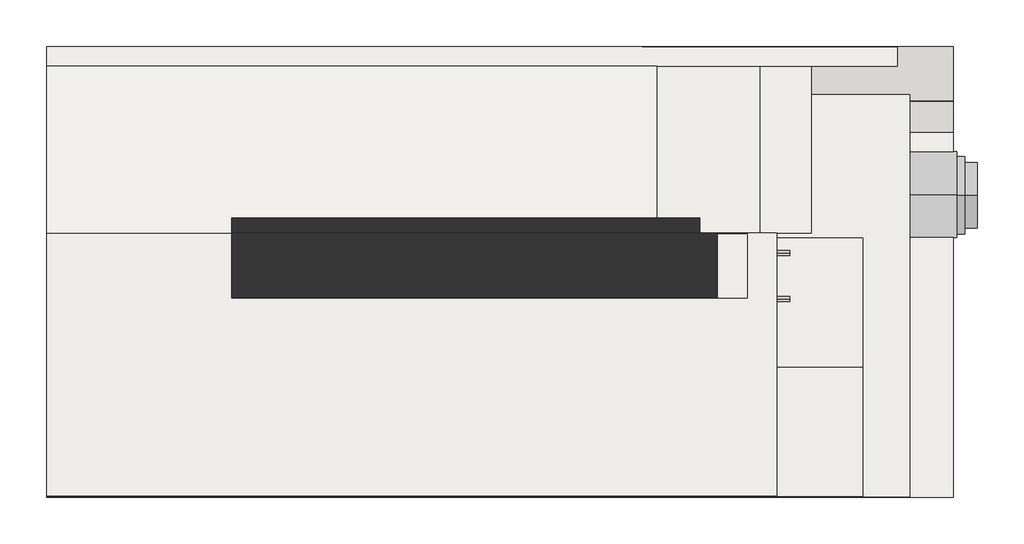
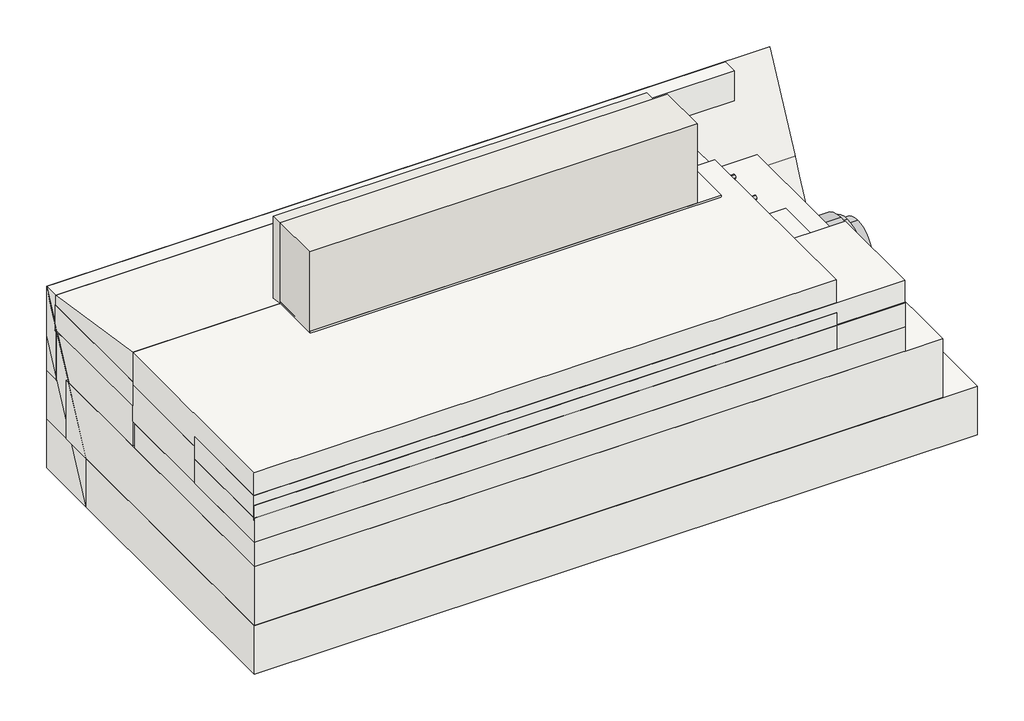
# One storey: 15 slabs, 3 duct segments, 2 cable carrier segments, 2 walls, 1 covering.
"""IFC4 building model written with IfcOpenShell, lengths in millimetres."""

from ifc_helpers import new_model, si_unit, point, frame, frame_2d, origin, origin_with_axes, place, context, project, spatial, polyline, circle_curve, trimmed, segment, composite_curve, outline, extrude, element, save
from ifc_brep_helpers import plane_surface, spline_surface, advanced_brep

model = new_model("IFC4")

# Units and contexts
model_context = context("Model", 3, world=origin())
ifc_project = project(units=[si_unit("LENGTHUNIT", "METRE", prefix="MILLI")], contexts=[model_context])

# Site, building, storey
site = spatial("IfcSite", under=ifc_project)
building = spatial("IfcBuilding", under=site)
storey = spatial("IfcBuildingStorey", under=building, Elevation=0.0)

# Cable carrier segments
placement = place(None, origin())
element("IfcCableCarrierSegment", 1, at=placement, inside=storey, context=model_context, shape_type="SweptSolid", body=[
    extrude(outline(composite_curve([segment(trimmed(circle_curve(frame_2d((-18637.7435401, 871.2288643)), 11.71), [point((-18626.0335401, 871.2288643))], [point((-18637.7435401, 859.5188643))], False, "CARTESIAN"), True, "CONTINUOUS"), segment(trimmed(circle_curve(frame_2d((-18637.7435401, 871.2288643)), 11.71), [point((-18637.7435401, 859.5188643))], [point((-18649.4535401, 871.2288643))], False, "CARTESIAN"), True, "CONTINUOUS"), segment(trimmed(circle_curve(frame_2d((-18637.7435401, 871.2288643)), 11.71), [point((-18649.4535401, 871.2288643))], [point((-18637.7435401, 882.9388643))], False, "CARTESIAN"), True, "CONTINUOUS"), segment(trimmed(circle_curve(frame_2d((-18637.7435401, 871.2288643)), 11.71), [point((-18637.7435401, 882.9388643))], [point((-18626.0335401, 871.2288643))], False, "CARTESIAN"), True, "CONTINUOUS")], self_intersect=False)), frame((-19193.1632659, 0.0, 0.0), z_axis=(1.0, 0.0, 0.0), x_axis=(0.0, 1.0, 0.0)), (0.0, 0.0, 1.0), 980.0),
])
element("IfcCableCarrierSegment", 2, at=placement, inside=storey, context=model_context, shape_type="SweptSolid", body=[
    extrude(outline(composite_curve([segment(trimmed(circle_curve(frame_2d((-18424.9871372, 871.2288643)), 11.71), [point((-18413.2771372, 871.2288643))], [point((-18424.9871372, 859.5188643))], False, "CARTESIAN"), True, "CONTINUOUS"), segment(trimmed(circle_curve(frame_2d((-18424.9871372, 871.2288643)), 11.71), [point((-18424.9871372, 859.5188643))], [point((-18436.6971372, 871.2288643))], False, "CARTESIAN"), True, "CONTINUOUS"), segment(trimmed(circle_curve(frame_2d((-18424.9871372, 871.2288643)), 11.71), [point((-18436.6971372, 871.2288643))], [point((-18424.9871372, 882.9388643))], False, "CARTESIAN"), True, "CONTINUOUS"), segment(trimmed(circle_curve(frame_2d((-18424.9871372, 871.2288643)), 11.71), [point((-18424.9871372, 882.9388643))], [point((-18413.2771372, 871.2288643))], False, "CARTESIAN"), True, "CONTINUOUS")], self_intersect=False)), frame((-19193.1632659, 0.0, 0.0), z_axis=(1.0, 0.0, 0.0), x_axis=(0.0, 1.0, 0.0)), (0.0, 0.0, 1.0), 980.0),
])

# Covering
element("IfcCovering", 3, at=placement, inside=storey, context=model_context, shape_type="SweptSolid", body=[
    extrude(outline(polyline([(-20811.3780113, -18634.6336633), (-20811.3780113, -18335.3601954), (-18411.3780113, -18335.3601954), (-18411.3780113, -18634.6336633), (-20811.3780113, -18634.6336633)])), frame((0.0, 0.0, 899.2790053), z_axis=(0.0, 0.0, 1.0), x_axis=(1.0, 0.0, 0.0)), (0.0, 0.0, 1.0), 52.0),
])

# Duct segments
element("IfcDuctSegment", 4, at=placement, inside=storey, context=model_context, shape_type="SweptSolid", body=[
    extrude(outline(composite_curve([segment(trimmed(circle_curve(frame_2d((-18155.7841178, -20.2453407)), 152.4), [point((-18308.1841178, -20.2453407))], [point((-18155.7841178, 132.1546593))], False, "CARTESIAN"), True, "CONTINUOUS"), segment(trimmed(circle_curve(frame_2d((-18155.7841178, -20.2453407)), 152.4), [point((-18155.7841178, 132.1546593))], [point((-18003.3841178, -20.2453407))], False, "CARTESIAN"), True, "CONTINUOUS"), segment(trimmed(circle_curve(frame_2d((-18155.7841178, -20.2453407)), 152.4), [point((-18003.3841178, -20.2453407))], [point((-18155.7841178, -172.6453407))], False, "CARTESIAN"), True, "CONTINUOUS"), segment(trimmed(circle_curve(frame_2d((-18155.7841178, -20.2453407)), 152.4), [point((-18155.7841178, -172.6453407))], [point((-18308.1841178, -20.2453407))], False, "CARTESIAN"), True, "CONTINUOUS")], self_intersect=False)), frame((-18538.4562479, 0.0, 0.0), z_axis=(1.0, 0.0, 0.0), x_axis=(0.0, 1.0, 0.0)), (0.0, 0.0, 1.0), 1200.0),
])
element("IfcDuctSegment", 5, at=placement, inside=storey, context=model_context, shape_type="SweptSolid", body=[
    extrude(outline(composite_curve([segment(trimmed(circle_curve(frame_2d((-18155.7841178, -20.2453407)), 180.0), [point((-18335.7841178, -20.2453407))], [point((-18155.7841178, 159.7546593))], False, "CARTESIAN"), True, "CONTINUOUS"), segment(trimmed(circle_curve(frame_2d((-18155.7841178, -20.2453407)), 180.0), [point((-18155.7841178, 159.7546593))], [point((-17975.7841178, -20.2453407))], False, "CARTESIAN"), True, "CONTINUOUS"), segment(trimmed(circle_curve(frame_2d((-18155.7841178, -20.2453407)), 180.0), [point((-17975.7841178, -20.2453407))], [point((-18155.7841178, -200.2453407))], False, "CARTESIAN"), True, "CONTINUOUS"), segment(trimmed(circle_curve(frame_2d((-18155.7841178, -20.2453407)), 180.0), [point((-18155.7841178, -200.2453407))], [point((-18335.7841178, -20.2453407))], False, "CARTESIAN"), True, "CONTINUOUS")], self_intersect=False)), frame((-18538.4562479, 0.0, 0.0), z_axis=(1.0, 0.0, 0.0), x_axis=(0.0, 1.0, 0.0)), (0.0, 0.0, 1.0), 1140.0),
])
element("IfcDuctSegment", 6, at=placement, inside=storey, context=model_context, shape_type="SweptSolid", body=[
    extrude(outline(composite_curve([segment(trimmed(circle_curve(frame_2d((-18151.6978821, -18.7338147)), 200.0), [point((-17951.6978821, -18.7338147))], [point((-18151.6978821, -218.7338147))], False, "CARTESIAN"), True, "CONTINUOUS"), segment(trimmed(circle_curve(frame_2d((-18151.6978821, -18.7338147)), 200.0), [point((-18151.6978821, -218.7338147))], [point((-18351.6978821, -18.7338147))], False, "CARTESIAN"), True, "CONTINUOUS"), segment(trimmed(circle_curve(frame_2d((-18151.6978821, -18.7338147)), 200.0), [point((-18351.6978821, -18.7338147))], [point((-18151.6978821, 181.2661853))], False, "CARTESIAN"), True, "CONTINUOUS"), segment(trimmed(circle_curve(frame_2d((-18151.6978821, -18.7338147)), 200.0), [point((-18151.6978821, 181.2661853))], [point((-17951.6978821, -18.7338147))], False, "CARTESIAN"), True, "CONTINUOUS")], self_intersect=False)), frame((-19765.0738676, 0.0, 0.0), z_axis=(1.0, 0.0, 0.0), x_axis=(0.0, 1.0, 0.0)), (0.0, 0.0, 1.0), 2330.0),
])

# Slabs
element("IfcSlab", 7, at=placement, inside=storey, context=model_context, shape_type="SweptSolid", body=[
    extrude(outline(polyline([(-21673.7235521, -17861.6978821), (-17451.3780113, -17861.6978821), (-17451.3780113, -19561.6978821), (-21673.7235521, -19561.6978821), (-21673.7235521, -17861.6978821)])), frame((0.0, 0.0, -300.0), z_axis=(0.0, 0.0, 1.0), x_axis=(1.0, 0.0, 0.0)), (0.0, 0.0, 1.0), 300.0),
])
element("IfcSlab", 8, at=placement, inside=storey, context=model_context, shape_type="AdvancedBrep", body=[
    advanced_brep(
    [(-21673.7235521, -17461.6978821, 520.0), (-21673.7235521, -17461.6978821, 820.0), (-17451.3780113, -17461.6978821, 822.2193174), (-17451.3780113, -17461.6978821, 522.2193174), (-17451.3780113, -17861.6978821, 0.0), (-17451.3780113, -17861.6978821, -300.0), (-21673.7235521, -17861.6978821, 0.0), (-21673.7235521, -17861.6978821, -300.0)],
    [
        (0, 1),
        (1, 2),
        (2, 3),
        (3, 0),
        (2, 4),
        (4, 5),
        (5, 3),
        (4, 6),
        (6, 7),
        (7, 5),
        (6, 1),
        (0, 7),
    ],
    [
        plane_surface(frame((-21673.7235521, -17461.6978821, -300.0), z_axis=(0.0, 1.0, 0.0), x_axis=(0.0, 0.0, 1.0))),
        plane_surface(frame((-17451.3780113, -17461.6978821, -300.0), z_axis=(1.0, 0.0, 0.0), x_axis=(0.0, 0.0, 1.0))),
        plane_surface(frame((-17451.3780113, -17861.6978821, -300.0), z_axis=(0.0, -1.0, 0.0), x_axis=(0.0, 0.0, 1.0))),
        plane_surface(frame((-21673.7235521, -17861.6978821, -300.0), z_axis=(-1.0, 0.0, 0.0), x_axis=(0.0, 0.0, 1.0))),
        spline_surface(1, 1, [[(-17451.3780113, -17861.6978821, 0.0), (-21673.7235521, -17861.6978821, 0.0)], [(-17451.3780113, -17461.6978821, 822.2193174), (-21673.7235521, -17461.6978821, 820.0)]], [2, 2], [2, 2], [0.0, 1.0], [0.0, 1.0]),
        spline_surface(1, 1, [[(-17451.3780113, -17861.6978821, -300.0), (-17451.3780113, -17461.6978821, 522.2193174)], [(-21673.7235521, -17861.6978821, -300.0), (-21673.7235521, -17461.6978821, 520.0)]], [2, 2], [2, 2], [0.0, 1.0], [0.0, 1.0]),
    ],
    [
        (0, [[1, 2, 3, 4]]),
        (1, [[-3, 5, 6, 7]]),
        (2, [[-6, 8, 9, 10]]),
        (3, [[-9, 11, -1, 12]]),
        (4, [[-8, -5, -2, -11]]),
        (5, [[-12, -4, -7, -10]]),
    ],
),
])
element("IfcSlab", 9, at=placement, inside=storey, context=model_context, shape_type="SweptSolid", body=[
    extrude(outline(polyline([(-21673.7235521, -17661.0697243), (-17653.7235521, -17661.0697243), (-17653.7235521, -19561.0697243), (-21673.7235521, -19561.0697243), (-21673.7235521, -17661.0697243)])), origin_with_axes(), (0.0, 0.0, 1.0), 362.0),
])
element("IfcSlab", 10, at=placement, inside=storey, context=model_context, shape_type="SweptSolid", body=[
    extrude(outline(polyline([(-21673.7235521, -17461.6978821), (-17451.3780113, -17461.6978821), (-17451.3780113, -17861.6978821), (-21673.7235521, -17861.6978821), (-21673.7235521, -17461.6978821)])), frame((0.0, 0.0, -300.0), z_axis=(0.0, 0.0, 1.0), x_axis=(1.0, 0.0, 0.0)), (0.0, 0.0, 1.0), 300.0),
])
element("IfcSlab", 11, at=placement, inside=storey, context=model_context, shape_type="SweptSolid", body=[
    extrude(outline(polyline([(-21673.7235521, -17461.6978821), (-17451.3780113, -17461.6978821), (-17451.3780113, -17715.3564187), (-21673.7235521, -17715.3564187), (-21673.7235521, -17461.6978821)])), origin_with_axes(), (0.0, 0.0, 1.0), 300.0),
])
element("IfcSlab", 12, at=placement, inside=storey, context=model_context, shape_type="SweptSolid", body=[
    extrude(outline(polyline([(-21673.7235521, -17461.6978821), (-17451.3780113, -17461.6978821), (-17451.3780113, -17561.6978821), (-21673.7235521, -17561.6978821), (-21673.7235521, -17461.6978821)])), frame((0.0, 0.0, 300.0), z_axis=(0.0, 0.0, 1.0), x_axis=(1.0, 0.0, 0.0)), (0.0, 0.0, 1.0), 300.0),
])
element("IfcSlab", 13, at=placement, inside=storey, context=model_context, shape_type="SweptSolid", body=[
    extrude(outline(polyline([(-21673.7235521, -17461.6978821), (-17711.3780113, -17461.6978821), (-17711.3780113, -17553.537634), (-21673.7235521, -17553.537634), (-21673.7235521, -17461.6978821)])), frame((0.0, 0.0, 520.0), z_axis=(0.0, 0.0, 1.0), x_axis=(1.0, 0.0, 0.0)), (0.0, 0.0, 1.0), 300.0),
])
element("IfcSlab", 14, at=placement, inside=storey, context=model_context, shape_type="SweptSolid", body=[
    extrude(outline(polyline([(-21673.7235521, -18354.9871372), (-17873.7235521, -18354.9871372), (-17873.7235521, -19560.8470822), (-21673.7235521, -19560.8470822), (-21673.7235521, -18354.9871372)])), frame((0.0, 0.0, 363.1783304), z_axis=(0.0, 0.0, 1.0), x_axis=(1.0, 0.0, 0.0)), (0.0, 0.0, 1.0), 150.0),
])
element("IfcSlab", 15, at=placement, inside=storey, context=model_context, shape_type="SweptSolid", body=[
    extrude(outline(polyline([(-21673.7235521, -18960.8470822), (-17873.7235521, -18960.8470822), (-17873.7235521, -19560.8470822), (-21673.7235521, -19560.8470822), (-21673.7235521, -18960.8470822)])), frame((0.0, 0.0, 513.1783304), z_axis=(0.0, 0.0, 1.0), x_axis=(1.0, 0.0, 0.0)), (0.0, 0.0, 1.0), 150.0),
])
element("IfcSlab", 16, at=placement, inside=storey, context=model_context, shape_type="SweptSolid", body=[
    extrude(outline(polyline([(-21673.7235521, -18958.0981964), (-17873.7235521, -18958.0981964), (-17873.7235521, -19558.0981964), (-21673.7235521, -19558.0981964), (-21673.7235521, -18958.0981964)])), frame((0.0, 0.0, 649.2790053), z_axis=(0.0, 0.0, 1.0), x_axis=(1.0, 0.0, 0.0)), (0.0, 0.0, 1.0), 150.0),
])
element("IfcSlab", 17, at=placement, inside=storey, context=model_context, shape_type="SweptSolid", body=[
    extrude(outline(polyline([(-21673.7235521, -18331.6978821), (-18273.7235521, -18331.6978821), (-18273.7235521, -19561.6978821), (-21673.7235521, -19561.6978821), (-21673.7235521, -18331.6978821)])), frame((0.0, 0.0, 514.2790053), z_axis=(0.0, 0.0, 1.0), x_axis=(1.0, 0.0, 0.0)), (0.0, 0.0, 1.0), 225.0),
])
element("IfcSlab", 18, at=placement, inside=storey, context=model_context, shape_type="SweptSolid", body=[
    extrude(outline(polyline([(-21673.7235521, -18331.5582254), (-18273.7235521, -18331.5582254), (-18273.7235521, -19556.6115376), (-21673.7235521, -19556.6115376), (-21673.7235521, -18331.5582254)])), frame((0.0, 0.0, 715.0), z_axis=(0.0, 0.0, 1.0), x_axis=(1.0, 0.0, 0.0)), (0.0, 0.0, 1.0), 225.0),
])
element("IfcSlab", 19, at=placement, inside=storey, context=model_context, shape_type="SweptSolid", body=[
    extrude(outline(polyline([(-21673.7235521, -17537.363957), (-18111.3780113, -17537.363957), (-18111.3780113, -18331.6978821), (-21673.7235521, -18331.6978821), (-21673.7235521, -17537.363957)])), frame((0.0, 0.0, 298.0), z_axis=(0.0, 0.0, 1.0), x_axis=(1.0, 0.0, 0.0)), (0.0, 0.0, 1.0), 362.0),
])
element("IfcSlab", 20, at=placement, inside=storey, context=model_context, shape_type="SweptSolid", body=[
    extrude(outline(polyline([(-21673.7235521, -17550.5037182), (-18351.3780113, -17550.5037182), (-18351.3780113, -18331.6978821), (-21673.7235521, -18331.6978821), (-21673.7235521, -17550.5037182)])), frame((0.0, 0.0, 610.0), z_axis=(0.0, 0.0, 1.0), x_axis=(1.0, 0.0, 0.0)), (0.0, 0.0, 1.0), 150.0),
])
element("IfcSlab", 21, at=placement, inside=storey, context=model_context, shape_type="SweptSolid", body=[
    extrude(outline(polyline([(-18331.6978821, 715.0), (-18331.6978821, 940.0), (-17553.537634, 820.0), (-17553.537634, 595.0), (-18331.6978821, 715.0)])), frame((-21673.7235521, 0.0, 0.0), z_axis=(1.0, 0.0, 0.0), x_axis=(0.0, 1.0, 0.0)), (0.0, 0.0, 1.0), 2842.3455408),
])

# Walls
element("IfcWall", 22, at=placement, inside=storey, context=model_context, shape_type="SweptSolid", body=[
    extrude(outline(polyline([(-20811.3780113, -18331.6978821), (-18551.3780113, -18331.6978821), (-18551.3780113, -18631.6978821), (-20811.3780113, -18631.6978821), (-20811.3780113, -18331.6978821)])), frame((0.0, 0.0, 739.2790053), z_axis=(0.0, 0.0, 1.0), x_axis=(1.0, 0.0, 0.0)), (0.0, 0.0, 1.0), 700.7209947),
])
element("IfcWall", 23, at=placement, inside=storey, context=model_context, shape_type="SweptSolid", body=[
    extrude(outline(polyline([(-20811.3780113, -18261.6978821), (-18631.3780113, -18261.6978821), (-18631.3780113, -18401.6978821), (-20811.3780113, -18401.6978821), (-20811.3780113, -18261.6978821)])), frame((0.0, 0.0, 362.0), z_axis=(0.0, 0.0, 1.0), x_axis=(1.0, 0.0, 0.0)), (0.0, 0.0, 1.0), 1073.0),
])

save(model, "model.ifc")
